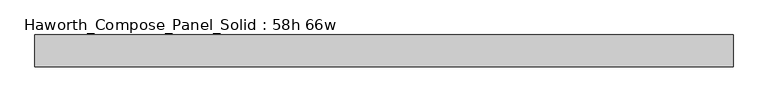
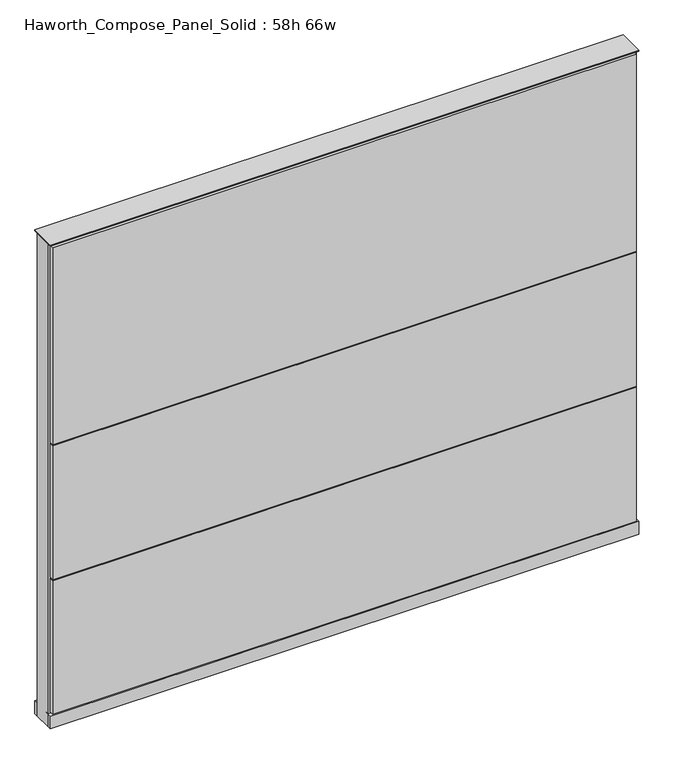
"""IFC4 building model written with IfcOpenShell, lengths in millimetres: furniture geometry, Haworth_Compose_Panel_Solid : 58h 66w."""

from ifc_helpers import new_model, si_unit, point, frame, frame_2d, origin, origin_with_axes, place, context, project, spatial, polyline, circle_curve, trimmed, segment, composite_curve, outline, extrude, source, transform, mapped, element, save


def haworth_compose_panel_solid_58h_66w_b3b2a3c5(model_context):
    return source(origin(), model_context, "Body", "SweptSolid", [
        extrude(outline(composite_curve([segment(trimmed(circle_curve(frame_2d((-759.5597098, 0.0)), 12.7), [point((-772.2597098, 0.0))], [point((-746.8597098, 0.0))], False, "CARTESIAN"), True, "CONTINUOUS"), segment(trimmed(circle_curve(frame_2d((-759.5597098, 0.0)), 12.7), [point((-746.8597098, 0.0))], [point((-772.2597098, 0.0))], False, "CARTESIAN"), True, "CONTINUOUS")], self_intersect=False)), origin_with_axes(), (0.0, 0.0, 1.0), 12.7),
        extrude(outline(composite_curve([segment(trimmed(circle_curve(frame_2d((764.4402902, 0.0)), 12.7), [point((751.7402902, 0.0))], [point((777.1402902, 0.0))], False, "CARTESIAN"), True, "CONTINUOUS"), segment(trimmed(circle_curve(frame_2d((764.4402902, 0.0)), 12.7), [point((777.1402902, 0.0))], [point((751.7402902, 0.0))], False, "CARTESIAN"), True, "CONTINUOUS")], self_intersect=False)), origin_with_axes(), (0.0, 0.0, 1.0), 12.7),
        extrude(outline(polyline([(834.2902902, 38.1), (834.2902902, 25.4), (-829.4097098, 25.4), (-829.4097098, 38.1), (834.2902902, 38.1)])), frame((0.0, 0.0, 866.775), z_axis=(0.0, 0.0, 1.0), x_axis=(1.0, 0.0, 0.0)), (0.0, 0.0, 1.0), 593.725),
        extrude(outline(polyline([(834.2902902, 38.1), (834.2902902, 25.4), (-829.4097098, 25.4), (-829.4097098, 38.1), (834.2902902, 38.1)])), frame((0.0, 0.0, 460.375), z_axis=(0.0, 0.0, 1.0), x_axis=(1.0, 0.0, 0.0)), (0.0, 0.0, 1.0), 403.225),
        extrude(outline(polyline([(834.2902902, 38.1), (834.2902902, 25.4), (-829.4097098, 25.4), (-829.4097098, 38.1), (834.2902902, 38.1)])), frame((0.0, 0.0, 53.975), z_axis=(0.0, 0.0, 1.0), x_axis=(1.0, 0.0, 0.0)), (0.0, 0.0, 1.0), 403.225),
        extrude(outline(polyline([(834.2902902, -38.1), (-829.4097098, -38.1), (-829.4097098, -25.4), (834.2902902, -25.4), (834.2902902, -38.1)])), frame((0.0, 0.0, 866.775), z_axis=(0.0, 0.0, 1.0), x_axis=(1.0, 0.0, 0.0)), (0.0, 0.0, 1.0), 593.725),
        extrude(outline(polyline([(834.2902902, -38.1), (-829.4097098, -38.1), (-829.4097098, -25.4), (834.2902902, -25.4), (834.2902902, -38.1)])), frame((0.0, 0.0, 460.375), z_axis=(0.0, 0.0, 1.0), x_axis=(1.0, 0.0, 0.0)), (0.0, 0.0, 1.0), 403.225),
        extrude(outline(polyline([(834.2902902, -38.1), (-829.4097098, -38.1), (-829.4097098, -25.4), (834.2902902, -25.4), (834.2902902, -38.1)])), frame((0.0, 0.0, 53.975), z_axis=(0.0, 0.0, 1.0), x_axis=(1.0, 0.0, 0.0)), (0.0, 0.0, 1.0), 403.225),
        extrude(outline(polyline([(840.6402902, 25.4), (840.6402902, -25.4), (-835.7597098, -25.4), (-835.7597098, 25.4), (840.6402902, 25.4)])), frame((0.0, 0.0, 12.7), z_axis=(0.0, 0.0, 1.0), x_axis=(1.0, 0.0, 0.0)), (0.0, 0.0, 1.0), 1454.15),
        extrude(outline(polyline([(-835.7597098, -38.1), (-835.7597098, 38.1), (840.6402902, 38.1), (840.6402902, -38.1), (-835.7597098, -38.1)])), frame((0.0, 0.0, 12.7), z_axis=(0.0, 0.0, 1.0), x_axis=(1.0, 0.0, 0.0)), (0.0, 0.0, 1.0), 38.1),
        extrude(outline(polyline([(-835.7597098, -38.1), (-835.7597098, 38.1), (840.6402902, 38.1), (840.6402902, -38.1), (-835.7597098, -38.1)])), frame((0.0, 0.0, 1466.85), z_axis=(0.0, 0.0, 1.0), x_axis=(1.0, 0.0, 0.0)), (0.0, 0.0, 1.0), 3.175),
    ])


if __name__ == "__main__":
    model = new_model("IFC4")
    model_context = context("Model", 3, world=origin())
    ifc_project = project(units=[si_unit("LENGTHUNIT", "METRE", prefix="MILLI")], contexts=[model_context])
    site = spatial("IfcSite", under=ifc_project)
    building = spatial("IfcBuilding", under=site)
    placement = place(None, origin())
    haworth_compose_panel_solid_58h_66w_shape = haworth_compose_panel_solid_58h_66w_b3b2a3c5(model_context)
    element("IfcFurniture", 1, ObjectType="Haworth_Compose_Panel_Solid : 58h 66w", at=placement, inside=building, context=model_context, shape_type="MappedRepresentation", body=[
        mapped(haworth_compose_panel_solid_58h_66w_shape, transform((0.0, 0.0, 0.0), x_axis=(1.0, 0.0, 0.0), y_axis=(0.0, 1.0, 0.0), z_axis=(0.0, 0.0, 1.0))),
    ])
    save(model, "model.ifc")
